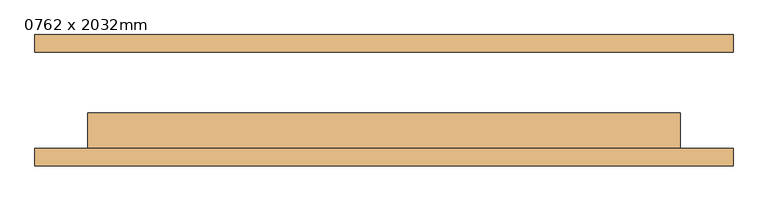
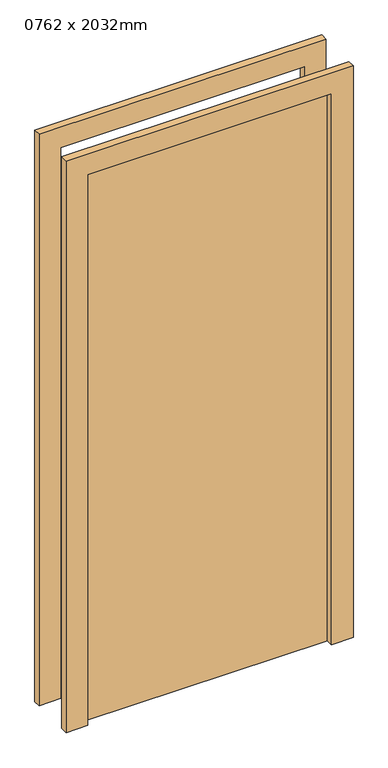
"""IFC4 building model written with IfcOpenShell, lengths in millimetres: door geometry, 0762 x 2032mm."""

from ifc_helpers import new_model, si_unit, frame, origin, origin_with_axes, place, context, project, spatial, polyline, outline, extrude, source, transform, mapped, element, save


def door_0762_x_2032mm_d294818f(model_context):
    return source(origin(), model_context, "Body", "SweptSolid", [
        extrude(outline(polyline([(2108.0, -501.0), (0.0, -501.0), (0.0, -425.0), (2032.0, -425.0), (2032.0, 425.0), (0.0, 425.0), (0.0, 501.0), (2108.0, 501.0), (2108.0, -501.0)])), frame((0.0, -94.25, 0.0), z_axis=(0.0, 1.0, 0.0), x_axis=(0.0, 0.0, 1.0)), (0.0, 0.0, 1.0), 25.0),
        extrude(outline(polyline([(2108.0, 501.0), (2108.0, -501.0), (0.0, -501.0), (0.0, -425.0), (2032.0, -425.0), (2032.0, 425.0), (0.0, 425.0), (0.0, 501.0), (2108.0, 501.0)])), frame((0.0, 69.25, 0.0), z_axis=(0.0, 1.0, 0.0), x_axis=(0.0, 0.0, 1.0)), (0.0, 0.0, 1.0), 25.0),
        extrude(outline(polyline([(425.0, -18.25), (425.0, -69.25), (-425.0, -69.25), (-425.0, -18.25), (425.0, -18.25)])), origin_with_axes(), (0.0, 0.0, 1.0), 2032.0),
    ])


if __name__ == "__main__":
    model = new_model("IFC4")
    model_context = context("Model", 3, world=origin())
    ifc_project = project(units=[si_unit("LENGTHUNIT", "METRE", prefix="MILLI")], contexts=[model_context])
    site = spatial("IfcSite", under=ifc_project)
    building = spatial("IfcBuilding", under=site)
    placement = place(None, origin())
    door_0762_x_2032mm_shape = door_0762_x_2032mm_d294818f(model_context)
    element("IfcDoor", 1, ObjectType="0762 x 2032mm", at=placement, inside=building, context=model_context, shape_type="MappedRepresentation", body=[
        mapped(door_0762_x_2032mm_shape, transform((0.0, 0.0, 0.0), x_axis=(1.0, 0.0, 0.0), y_axis=(0.0, 1.0, 0.0), z_axis=(0.0, 0.0, 1.0))),
    ])
    save(model, "model.ifc")
